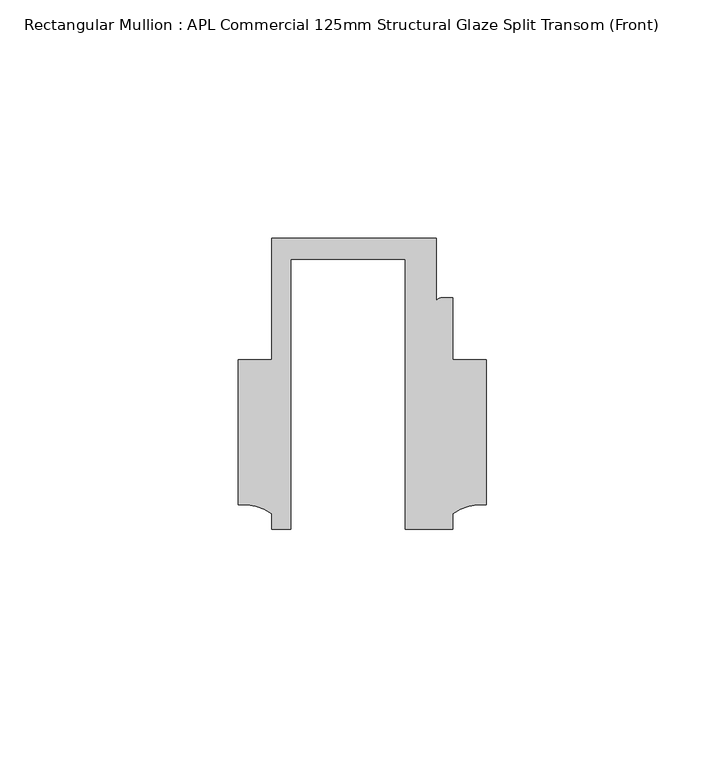
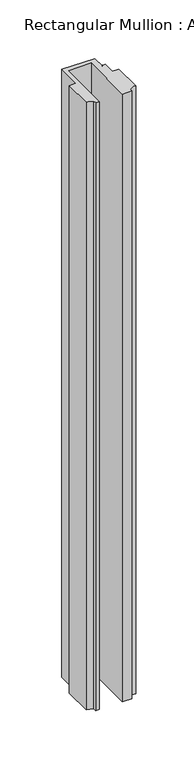
"""IFC4 building model written with IfcOpenShell, lengths in millimetres: member geometry, Rectangular Mullion : APL Commercial 125mm Structural Glaze Split Transom (Front)."""

from ifc_helpers import new_model, si_unit, point, frame, frame_2d, origin, place, context, project, spatial, polyline, circle_curve, trimmed, segment, composite_curve, outline, extrude, source, transform, mapped, element, save


def rectangular_mullion_apl_commercial_125mm_structural_glaze_38ae58e1(model_context):
    return source(origin(), model_context, "Body", "SweptSolid", [
        extrude(outline(composite_curve([segment(polyline([(-24.0309529, -20.5), (-28.0000482, -20.5), (-28.0000482, -17.3123419)]), True, "CONTINUOUS"), segment(trimmed(circle_curve(frame_2d((-34.10985, -25.7980019)), 10.4563907), [point((-28.0000482, -17.3123419))], [point((-34.9999873, -15.3795682))], True, "CARTESIAN"), True, "CONTINUOUS"), segment(polyline([(-34.9999873, -15.3795682), (-34.9999873, 15.001276), (-28.0000482, 15.001276), (-28.0000482, 40.499932), (6.5000029, 40.499932), (6.5000029, 27.0002131)]), True, "CONTINUOUS"), segment(trimmed(circle_curve(frame_2d((7.5000029, 27.0002131)), 1.0), [point((6.5000029, 27.0002131))], [point((7.5000029, 28.0002131))], False, "CARTESIAN"), True, "CONTINUOUS"), segment(polyline([(7.5000029, 28.0002131), (10.0000029, 28.0002131), (10.0000029, 15.0004617), (16.999942, 15.0004617), (16.999942, -15.3793686)]), True, "CONTINUOUS"), segment(trimmed(circle_curve(frame_2d((16.1098048, -25.7978024)), 10.4563907), [point((16.999942, -15.3793686))], [point((10.0000029, -17.3121423))], True, "CARTESIAN"), True, "CONTINUOUS"), segment(polyline([(10.0000029, -17.3121423), (10.0000029, -20.5), (0.0, -20.5), (0.0, 36.1008577), (-24.0309529, 36.1008577), (-24.0309529, -20.5)]), True, "CONTINUOUS")], self_intersect=False)), frame((0.0, 0.0, -672.0251368), z_axis=(0.0, 0.0, 1.0), x_axis=(1.0, 0.0, 0.0)), (0.0, 0.0, 1.0), 672.0251368),
    ])


if __name__ == "__main__":
    model = new_model("IFC4")
    model_context = context("Model", 3, world=origin())
    ifc_project = project(units=[si_unit("LENGTHUNIT", "METRE", prefix="MILLI")], contexts=[model_context])
    site = spatial("IfcSite", under=ifc_project)
    building = spatial("IfcBuilding", under=site)
    placement = place(None, origin())
    rectangular_mullion_apl_commercial_125mm_structural_glaze_shape = rectangular_mullion_apl_commercial_125mm_structural_glaze_38ae58e1(model_context)
    element("IfcMember", 1, ObjectType="Rectangular Mullion : APL Commercial 125mm Structural Glaze Split Transom (Front)", at=placement, inside=building, context=model_context, shape_type="MappedRepresentation", body=[
        mapped(rectangular_mullion_apl_commercial_125mm_structural_glaze_shape, transform((0.0, 0.0, 0.0), x_axis=(1.0, 0.0, 0.0), y_axis=(0.0, 1.0, 0.0), z_axis=(0.0, 0.0, 1.0))),
    ])
    save(model, "model.ifc")
